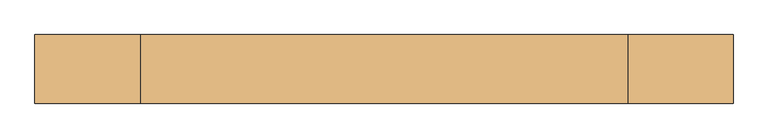
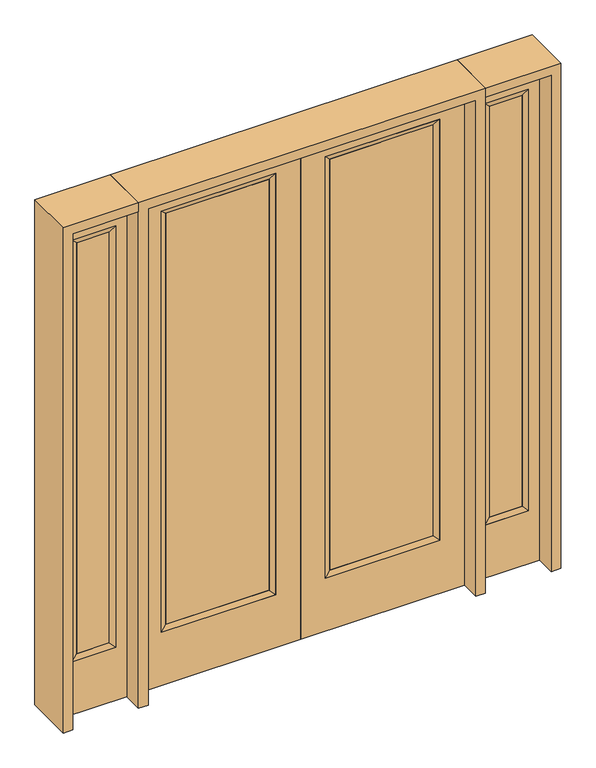
"""IFC4 building model written with IfcOpenShell, lengths in millimetres: door geometry."""

from ifc_helpers import new_model, si_unit, frame, origin, place, context, project, spatial, polyline, outline, extrude, faceted_brep, source, transform, mapped, element, save


def door_58f30151(model_context):
    return source(origin(), model_context, "Body", "SolidModel", [
        extrude(outline(polyline([(140.8176, -12.7039749), (140.8176, 14.2875), (621.1824, 14.2875), (621.1824, -12.7039749), (140.8176, -12.7039749)])), frame((0.0, 0.0, 285.75), z_axis=(0.0, 0.0, 1.0), x_axis=(1.0, 0.0, 0.0)), (0.0, 0.0, 1.0), 2019.3),
        faceted_brep([(140.8176, 14.2875, 2305.05), (140.8176, 14.2875, 285.75), (115.4176, 22.225, 260.35), (115.4176, 22.225, 2330.45), (115.4176, -22.225, 260.35), (115.4176, -22.225, 2330.45), (621.1824, 14.2875, 285.75), (646.5824, 22.225, 260.35), (140.8176, -12.7039749, 2305.05), (140.8176, -12.7039749, 285.75), (621.1824, -12.7039749, 285.75), (646.5824, -22.225, 260.35), (621.1824, 14.2875, 2305.05), (646.5824, 22.225, 2330.45), (621.1824, -12.7039749, 2305.05), (646.5824, -22.225, 2330.45)], [[[0, 1, 2, 3]], [[3, 2, 4, 5]], [[1, 6, 7, 2]], [[8, 9, 1, 0]], [[9, 10, 6, 1]], [[5, 4, 9, 8]], [[4, 11, 10, 9]], [[2, 7, 11, 4]], [[6, 12, 13, 7]], [[10, 14, 12, 6]], [[11, 15, 14, 10]], [[7, 13, 15, 11]], [[12, 0, 3, 13]], [[14, 8, 0, 12]], [[15, 5, 8, 14]], [[13, 3, 5, 15]]]),
        extrude(outline(polyline([(0.0, 762.0), (2438.4, 762.0), (2438.4, 0.0), (0.0, 0.0), (0.0, 762.0)]), holes=[polyline([(260.35, 646.5824), (260.35, 115.4176), (2330.45, 115.4176), (2330.45, 646.5824), (260.35, 646.5824)])]), frame((0.0, -22.225, 0.0), z_axis=(0.0, 1.0, 0.0), x_axis=(0.0, 0.0, 1.0)), (0.0, 0.0, 1.0), 44.45),
        extrude(outline(polyline([(-140.8176, -12.7039749), (-621.1824, -12.7039749), (-621.1824, 14.2875), (-140.8176, 14.2875), (-140.8176, -12.7039749)])), frame((0.0, 0.0, 285.75), z_axis=(0.0, 0.0, 1.0), x_axis=(1.0, 0.0, 0.0)), (0.0, 0.0, 1.0), 2019.3),
        faceted_brep([(-140.8176, 14.2875, 2305.05), (-115.4176, 22.225, 2330.45), (-115.4176, 22.225, 260.35), (-140.8176, 14.2875, 285.75), (-115.4176, -22.225, 2330.45), (-115.4176, -22.225, 260.35), (-646.5824, 22.225, 260.35), (-621.1824, 14.2875, 285.75), (-140.8176, -12.7039749, 2305.05), (-140.8176, -12.7039749, 285.75), (-621.1824, -12.7039749, 285.75), (-646.5824, -22.225, 260.35), (-646.5824, 22.225, 2330.45), (-621.1824, 14.2875, 2305.05), (-621.1824, -12.7039749, 2305.05), (-646.5824, -22.225, 2330.45)], [[[0, 1, 2, 3]], [[1, 4, 5, 2]], [[3, 2, 6, 7]], [[8, 0, 3, 9]], [[9, 3, 7, 10]], [[4, 8, 9, 5]], [[5, 9, 10, 11]], [[2, 5, 11, 6]], [[7, 6, 12, 13]], [[10, 7, 13, 14]], [[11, 10, 14, 15]], [[6, 11, 15, 12]], [[13, 12, 1, 0]], [[14, 13, 0, 8]], [[15, 14, 8, 4]], [[12, 15, 4, 1]]]),
        extrude(outline(polyline([(0.0, -762.0), (0.0, 0.0), (2438.4, 0.0), (2438.4, -762.0), (0.0, -762.0)]), holes=[polyline([(260.35, -646.5824), (2330.45, -646.5824), (2330.45, -115.4176), (260.35, -115.4176), (260.35, -646.5824)])]), frame((0.0, -22.225, 0.0), z_axis=(0.0, 1.0, 0.0), x_axis=(0.0, 0.0, 1.0)), (0.0, 0.0, 1.0), 44.45),
        faceted_brep([(857.25, 20.6375, 2330.45), (857.25, 20.6375, 260.35), (857.25, -20.6375, 260.35), (857.25, -20.6375, 2330.45), (882.65, -12.7, 285.75), (882.65, -12.7, 2305.05), (1060.45, 20.6375, 260.35), (1060.45, -20.6375, 260.35), (882.65, 12.7, 2305.05), (882.65, 12.7, 285.75), (1035.05, 12.7, 285.75), (1035.05, -12.7, 285.75), (1060.45, 20.6375, 2330.45), (1060.45, -20.6375, 2330.45), (1035.05, 12.7, 2305.05), (1035.05, -12.7, 2305.05)], [[[0, 1, 2, 3]], [[3, 2, 4, 5]], [[1, 6, 7, 2]], [[8, 9, 1, 0]], [[9, 10, 6, 1]], [[5, 4, 9, 8]], [[4, 11, 10, 9]], [[2, 7, 11, 4]], [[6, 12, 13, 7]], [[10, 14, 12, 6]], [[11, 15, 14, 10]], [[7, 13, 15, 11]], [[12, 0, 3, 13]], [[14, 8, 0, 12]], [[15, 5, 8, 14]], [[13, 3, 5, 15]]]),
        extrude(outline(polyline([(0.0, 1111.25), (2438.4, 1111.25), (2438.4, 806.45), (0.0, 806.45), (0.0, 1111.25)]), holes=[polyline([(2330.45, 857.25), (2330.45, 1060.45), (260.35, 1060.45), (260.35, 857.25), (2330.45, 857.25)])]), frame((0.0, -20.6375, 0.0), z_axis=(0.0, 1.0, 0.0), x_axis=(0.0, 0.0, 1.0)), (0.0, 0.0, 1.0), 41.275),
        extrude(outline(polyline([(882.65, -12.7), (882.65, 12.7), (1035.05, 12.7), (1035.05, -12.7), (882.65, -12.7)])), frame((0.0, 0.0, 285.75), z_axis=(0.0, 0.0, 1.0), x_axis=(1.0, 0.0, 0.0)), (0.0, 0.0, 1.0), 2019.3),
        faceted_brep([(-857.25, 20.6375, 2330.45), (-857.25, -20.6375, 2330.45), (-857.25, -20.6375, 260.35), (-857.25, 20.6375, 260.35), (-882.65, -12.7, 2305.05), (-882.65, -12.7, 285.75), (-1060.45, -20.6375, 260.35), (-1060.45, 20.6375, 260.35), (-882.65, 12.7, 2305.05), (-882.65, 12.7, 285.75), (-1035.05, 12.7, 285.75), (-1035.05, -12.7, 285.75), (-1060.45, -20.6375, 2330.45), (-1060.45, 20.6375, 2330.45), (-1035.05, 12.7, 2305.05), (-1035.05, -12.7, 2305.05)], [[[0, 1, 2, 3]], [[1, 4, 5, 2]], [[3, 2, 6, 7]], [[8, 0, 3, 9]], [[9, 3, 7, 10]], [[4, 8, 9, 5]], [[5, 9, 10, 11]], [[2, 5, 11, 6]], [[7, 6, 12, 13]], [[10, 7, 13, 14]], [[11, 10, 14, 15]], [[6, 11, 15, 12]], [[13, 12, 1, 0]], [[14, 13, 0, 8]], [[15, 14, 8, 4]], [[12, 15, 4, 1]]]),
        extrude(outline(polyline([(0.0, -1111.25), (0.0, -806.45), (2438.4, -806.45), (2438.4, -1111.25), (0.0, -1111.25)]), holes=[polyline([(2330.45, -857.25), (260.35, -857.25), (260.35, -1060.45), (2330.45, -1060.45), (2330.45, -857.25)])]), frame((0.0, -20.6375, 0.0), z_axis=(0.0, 1.0, 0.0), x_axis=(0.0, 0.0, 1.0)), (0.0, 0.0, 1.0), 41.275),
        extrude(outline(polyline([(-882.65, -12.7), (-1035.05, -12.7), (-1035.05, 12.7), (-882.65, 12.7), (-882.65, -12.7)])), frame((0.0, 0.0, 285.75), z_axis=(0.0, 0.0, 1.0), x_axis=(1.0, 0.0, 0.0)), (0.0, 0.0, 1.0), 2019.3),
        extrude(outline(polyline([(2438.4, -806.45), (2482.85, -806.45), (2482.85, -1155.7), (0.0, -1155.7), (0.0, -1111.25), (2438.4, -1111.25), (2438.4, -806.45)])), frame((0.0, -114.3, 0.0), z_axis=(0.0, 1.0, 0.0), x_axis=(0.0, 0.0, 1.0)), (0.0, 0.0, 1.0), 228.6),
        extrude(outline(polyline([(2482.85, -806.45), (0.0, -806.45), (0.0, -762.0), (2438.4, -762.0), (2438.4, 762.0), (0.0, 762.0), (0.0, 806.45), (2482.85, 806.45), (2482.85, -806.45)])), frame((0.0, -114.3, 0.0), z_axis=(0.0, 1.0, 0.0), x_axis=(0.0, 0.0, 1.0)), (0.0, 0.0, 1.0), 228.6),
        extrude(outline(polyline([(0.0, 1111.25), (0.0, 1155.7), (2482.85, 1155.7), (2482.85, 806.45), (2438.4, 806.45), (2438.4, 1111.25), (0.0, 1111.25)])), frame((0.0, -114.3, 0.0), z_axis=(0.0, 1.0, 0.0), x_axis=(0.0, 0.0, 1.0)), (0.0, 0.0, 1.0), 228.6),
    ])


if __name__ == "__main__":
    model = new_model("IFC4")
    model_context = context("Model", 3, world=origin())
    ifc_project = project(units=[si_unit("LENGTHUNIT", "METRE", prefix="MILLI")], contexts=[model_context])
    site = spatial("IfcSite", under=ifc_project)
    building = spatial("IfcBuilding", under=site)
    placement = place(None, origin())
    door_shape = door_58f30151(model_context)
    element("IfcDoor", 1, at=placement, inside=building, context=model_context, shape_type="MappedRepresentation", body=[
        mapped(door_shape, transform((0.0, 0.0, 0.0), x_axis=(1.0, 0.0, 0.0), y_axis=(0.0, 1.0, 0.0), z_axis=(0.0, 0.0, 1.0))),
    ])
    save(model, "model.ifc")
